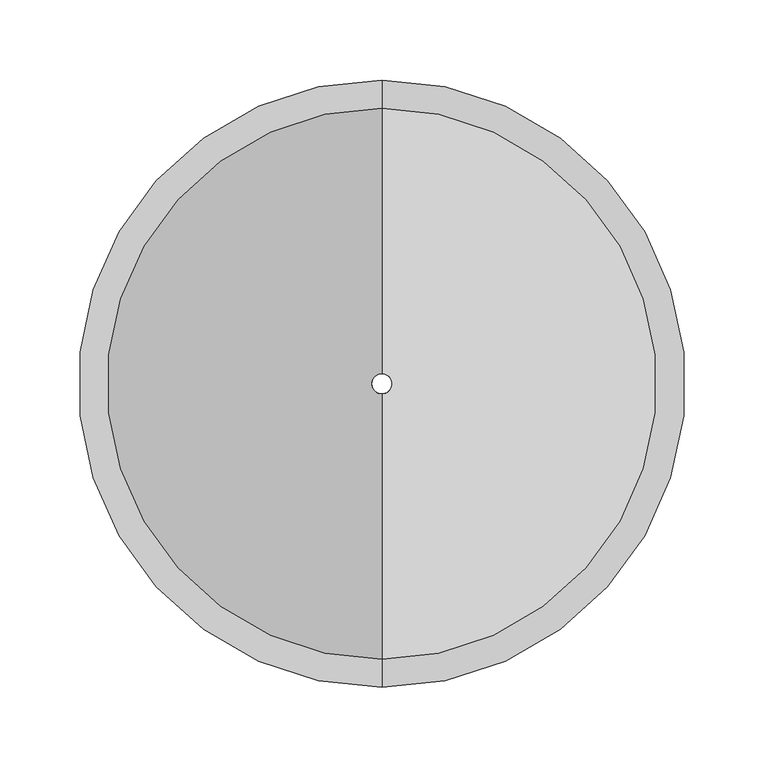
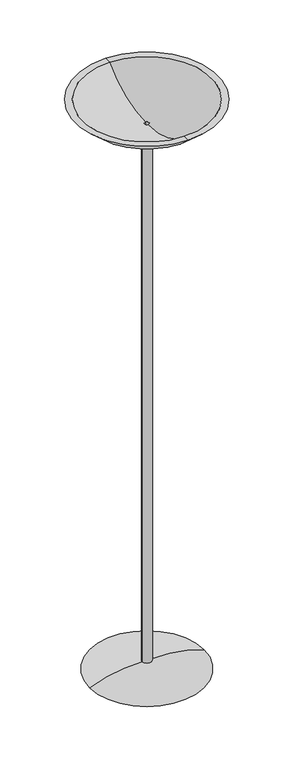
"""IFC4 building model written with IfcOpenShell, lengths in millimetres: light fixture geometry."""

from ifc_helpers import new_model, si_unit, point, frame, origin, place, context, project, spatial, polyline, circle_curve, ellipse_curve, trimmed, source, transform, mapped, element, save
from ifc_brep_helpers import plane_surface, cylinder_surface, revolved_surface, advanced_brep


def light_fixture_6b8c8d2b(model_context):
    return source(origin(), model_context, "Body", "AdvancedBrep", [
        advanced_brep(
        [(-12.7, 0.0, 23.8559377), (12.7, 0.0, 23.8559377), (152.4, 0.0, 0.0), (-152.4, 0.0, 0.0), (-12.7, 0.0, 1519.3755116), (12.7, 0.0, 1519.3755116), (-6.35, 0.0, 1519.3755116), (6.35, 0.0, 1519.3755116), (-6.35, 0.0, 0.0), (6.35, 0.0, 0.0)],
        [
            (0, 1, circle_curve(frame((0.0, 0.0, 23.8559377), z_axis=(0.0, 0.0, -1.0), x_axis=(0.0, 1.0, 0.0)), 12.7)),
            (1, 2, circle_curve(frame((27.9174306, 0.0, -307.9995076), z_axis=(0.0, 1.0, 0.0), x_axis=(1.0, 0.0, 0.0)), 332.2041643)),
            (2, 3, circle_curve(frame((0.0, 0.0, 0.0), z_axis=(0.0, 0.0, 1.0), x_axis=(0.0, 1.0, 0.0)), 152.4)),
            (3, 0, circle_curve(frame((-27.9174306, 0.0, -307.9995076), z_axis=(0.0, 1.0, 0.0), x_axis=(-1.0, 0.0, 0.0)), 332.2041643)),
            (1, 0, circle_curve(frame((0.0, 0.0, 23.8559377), z_axis=(0.0, 0.0, -1.0), x_axis=(0.0, 1.0, 0.0)), 12.7)),
            (3, 2, circle_curve(frame((0.0, 0.0, 0.0), z_axis=(0.0, 0.0, 1.0), x_axis=(0.0, 1.0, 0.0)), 152.4)),
            (4, 5, circle_curve(frame((0.0, 0.0, 1519.3755116), z_axis=(0.0, 0.0, -1.0), x_axis=(0.0, 1.0, 0.0)), 12.7)),
            (5, 1),
            (0, 4),
            (5, 4, circle_curve(frame((0.0, 0.0, 1519.3755116), z_axis=(0.0, 0.0, -1.0), x_axis=(0.0, 1.0, 0.0)), 12.7)),
            (6, 7, circle_curve(frame((0.0, 0.0, 1519.3755116), z_axis=(0.0, 0.0, -1.0), x_axis=(0.0, 1.0, 0.0)), 6.35)),
            (7, 5),
            (4, 6),
            (7, 6, circle_curve(frame((0.0, 0.0, 1519.3755116), z_axis=(0.0, 0.0, -1.0), x_axis=(0.0, 1.0, 0.0)), 6.35)),
            (8, 9, circle_curve(frame((0.0, 0.0, 0.0), z_axis=(0.0, 0.0, -1.0), x_axis=(0.0, 1.0, 0.0)), 6.35)),
            (9, 7),
            (6, 8),
            (9, 8, circle_curve(frame((0.0, 0.0, 0.0), z_axis=(0.0, 0.0, -1.0), x_axis=(0.0, 1.0, 0.0)), 6.35)),
            (2, 9),
            (8, 3),
        ],
        [
            revolved_surface(trimmed(ellipse_curve(frame((0.0, 27.9174306, -307.9995076), z_axis=(1.0, 0.0, 0.0), x_axis=(0.0, 1.0, 0.0)), 332.2041643, 332.2041643), [point((0.0, 152.4, 0.0))], [point((0.0, 12.7, 23.8559377))], True, "CARTESIAN"), (0.0, 0.0, 0.0), (0.0, 0.0, 1.0)),
            cylinder_surface(frame((0.0, 0.0, 0.0), z_axis=(0.0, 0.0, 1.0), x_axis=(0.0, 1.0, 0.0)), 12.7),
            plane_surface(frame((0.0, 0.0, 1519.3755116), z_axis=(0.0, 0.0, 1.0), x_axis=(0.0, 1.0, 0.0))),
            revolved_surface(polyline([(0.0, 6.35, 1519.3755116), (0.0, 6.35, 0.0)]), (0.0, 0.0, 0.0), (0.0, 0.0, 1.0)),
            plane_surface(frame((0.0, 0.0, 0.0), z_axis=(0.0, 0.0, -1.0), x_axis=(0.0, 1.0, 0.0))),
        ],
        [
            (0, [[1, 2, 3, 4]]),
            (0, [[5, -4, 6, -2]]),
            (1, [[7, 8, -1, 9]]),
            (1, [[10, -9, -5, -8]]),
            (2, [[11, 12, -7, 13]]),
            (2, [[14, -13, -10, -12]]),
            (3, [[15, 16, -11, 17]]),
            (3, [[18, -17, -14, -16]]),
            (4, [[-3, 19, -15, 20]]),
            (4, [[-6, -20, -18, -19]]),
        ],
    ),
        advanced_brep(
        [(0.0, -171.9151264, 1600.0), (0.0, 171.9151264, 1600.0), (0.0, 189.6566143, 1600.0), (0.0, -189.6566143, 1600.0), (0.0, -6.35, 1532.0755116), (0.0, 6.35, 1532.0755116), (0.0, -6.35, 1519.3755116), (0.0, 6.35, 1519.3755116), (0.0, -12.7, 1519.3755116), (0.0, 12.7, 1519.3755116)],
        [
            (0, 1, circle_curve(frame((0.0, 0.0, 1600.0), z_axis=(0.0, 0.0, -1.0), x_axis=(0.0, 1.0, 0.0)), 171.9151264)),
            (1, 2),
            (2, 3, circle_curve(frame((0.0, 0.0, 1600.0), z_axis=(0.0, 0.0, 1.0), x_axis=(0.0, 1.0, 0.0)), 189.6566143)),
            (3, 0),
            (1, 0, circle_curve(frame((0.0, 0.0, 1600.0), z_axis=(0.0, 0.0, -1.0), x_axis=(0.0, 1.0, 0.0)), 171.9151264)),
            (3, 2, circle_curve(frame((0.0, 0.0, 1600.0), z_axis=(0.0, 0.0, 1.0), x_axis=(0.0, 1.0, 0.0)), 189.6566143)),
            (4, 5, circle_curve(frame((0.0, 0.0, 1532.0755116), z_axis=(0.0, 0.0, -1.0), x_axis=(0.0, 1.0, 0.0)), 6.35)),
            (5, 1, circle_curve(frame((0.0, 6.35, 1767.8192616), z_axis=(1.0, 0.0, 0.0), x_axis=(0.0, 1.0, 0.0)), 235.74375)),
            (0, 4, circle_curve(frame((0.0, -6.35, 1767.8192616), z_axis=(1.0, 0.0, 0.0), x_axis=(0.0, -1.0, 0.0)), 235.74375)),
            (5, 4, circle_curve(frame((0.0, 0.0, 1532.0755116), z_axis=(0.0, 0.0, -1.0), x_axis=(0.0, 1.0, 0.0)), 6.35)),
            (6, 7, circle_curve(frame((0.0, 0.0, 1519.3755116), z_axis=(0.0, 0.0, -1.0), x_axis=(0.0, 1.0, 0.0)), 6.35)),
            (7, 5),
            (4, 6),
            (7, 6, circle_curve(frame((0.0, 0.0, 1519.3755116), z_axis=(0.0, 0.0, -1.0), x_axis=(0.0, 1.0, 0.0)), 6.35)),
            (8, 9, circle_curve(frame((0.0, 0.0, 1519.3755116), z_axis=(0.0, 0.0, -1.0), x_axis=(0.0, 1.0, 0.0)), 12.7)),
            (9, 7),
            (6, 8),
            (9, 8, circle_curve(frame((0.0, 0.0, 1519.3755116), z_axis=(0.0, 0.0, -1.0), x_axis=(0.0, 1.0, 0.0)), 12.7)),
            (2, 9, circle_curve(frame((0.0, 6.35, 1767.8192616), z_axis=(-1.0, 0.0, 0.0), x_axis=(0.0, 1.0, 0.0)), 248.5248869)),
            (8, 3, circle_curve(frame((0.0, -6.35, 1767.8192616), z_axis=(-1.0, 0.0, 0.0), x_axis=(0.0, -1.0, 0.0)), 248.5248869)),
        ],
        [
            plane_surface(frame((0.0, 0.0, 1600.0), z_axis=(0.0, 0.0, 1.0), x_axis=(0.0, 1.0, 0.0))),
            revolved_surface(trimmed(ellipse_curve(frame((0.0, 6.35, 1767.8192616), z_axis=(-1.0, 0.0, 0.0), x_axis=(0.0, 1.0, 0.0)), 235.74375, 235.74375), [point((0.0, 171.9151264, 1600.0))], [point((0.0, 6.35, 1532.0755116))], True, "CARTESIAN"), (0.0, 0.0, 1752.4), (0.0, 0.0, 1.0)),
            revolved_surface(polyline([(0.0, 6.35, 1532.0755116), (0.0, 6.35, 1519.3755116)]), (0.0, 0.0, 1752.4), (0.0, 0.0, 1.0)),
            plane_surface(frame((0.0, 0.0, 1519.3755116), z_axis=(0.0, 0.0, -1.0), x_axis=(0.0, 1.0, 0.0))),
            revolved_surface(trimmed(ellipse_curve(frame((0.0, 6.35, 1767.8192616), z_axis=(1.0, 0.0, 0.0), x_axis=(0.0, 1.0, 0.0)), 248.5248869, 248.5248869), [point((0.0, 12.7, 1519.3755116))], [point((0.0, 189.6566143, 1600.0))], True, "CARTESIAN"), (0.0, 0.0, 1752.4), (0.0, 0.0, 1.0)),
        ],
        [
            (0, [[1, 2, 3, 4]]),
            (0, [[5, -4, 6, -2]]),
            (1, [[7, 8, -1, 9]]),
            (1, [[10, -9, -5, -8]]),
            (2, [[11, 12, -7, 13]]),
            (2, [[14, -13, -10, -12]]),
            (3, [[15, 16, -11, 17]]),
            (3, [[18, -17, -14, -16]]),
            (4, [[-3, 19, -15, 20]]),
            (4, [[-6, -20, -18, -19]]),
        ],
    ),
    ])


if __name__ == "__main__":
    model = new_model("IFC4")
    model_context = context("Model", 3, world=origin())
    ifc_project = project(units=[si_unit("LENGTHUNIT", "METRE", prefix="MILLI")], contexts=[model_context])
    site = spatial("IfcSite", under=ifc_project)
    building = spatial("IfcBuilding", under=site)
    placement = place(None, origin())
    light_fixture_shape = light_fixture_6b8c8d2b(model_context)
    element("IfcLightFixture", 1, at=placement, inside=building, context=model_context, shape_type="MappedRepresentation", body=[
        mapped(light_fixture_shape, transform((0.0, 0.0, 0.0), x_axis=(1.0, 0.0, 0.0), y_axis=(0.0, 1.0, 0.0), z_axis=(0.0, 0.0, 1.0))),
    ])
    save(model, "model.ifc")
